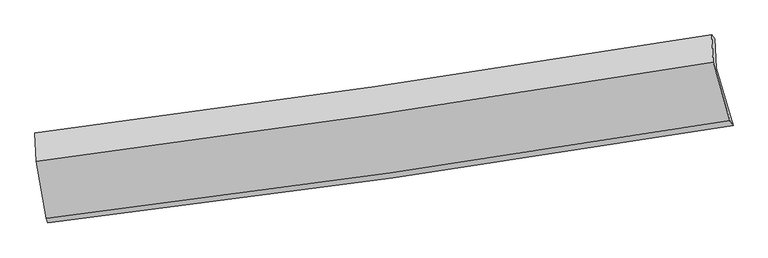
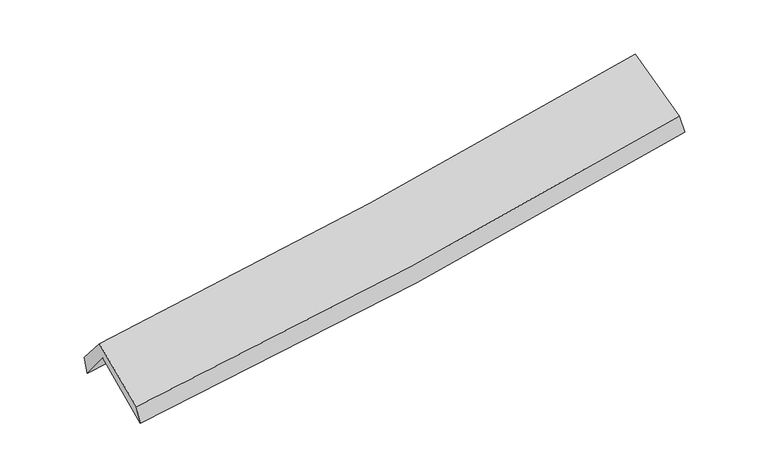
"""IFC4 building model written with IfcOpenShell, lengths in millimetres: proxy geometry."""

import ifcopenshell
import ifcopenshell.guid

model = None  # the IFC model being written
_history = None  # IfcOwnerHistory: only IFC2X3 demands one
_inside = {}  # id of a spatial element -> (the spatial element, [elements in it])
_under = {}  # id of a project, library or spatial element -> (it, [spatial elements below it])
_declared = {}  # id of a project -> (the project, [libraries it declares])
_typed = {}  # id of a type object -> (the type object, [elements of that type])
_made_of = {}  # id of a material, layer set ... -> (it, [elements and type objects made of it])


def new_model(schema):
    """Start an empty IFC model of exactly this schema.

    Asked for "IFC4X3", IfcOpenShell would pick the latest addendum, in which some entities
    have other attributes; the version numbers below select the first issue.
    IFC2X3 requires an IfcOwnerHistory on every rooted entity: one is made here for all.
    """
    global model, _history
    if schema == "IFC4X3":
        model = ifcopenshell.file(schema_version=(4, 3, 0, 0))
    else:
        model = ifcopenshell.file(schema=schema)
    _inside.clear()
    _under.clear()
    _declared.clear()
    _typed.clear()
    _made_of.clear()
    _history = None
    if model.schema == "IFC2X3":
        org = make("IfcOrganization", Name="unknown")
        user = make(
            "IfcPersonAndOrganization",
            ThePerson=make("IfcPerson", FamilyName="unknown"),
            TheOrganization=org,
        )
        app = make(
            "IfcApplication",
            ApplicationDeveloper=org,
            Version="unknown",
            ApplicationFullName="unknown",
            ApplicationIdentifier="unknown",
        )
        _history = make(
            "IfcOwnerHistory",
            OwningUser=user,
            OwningApplication=app,
            ChangeAction="ADDED",
            CreationDate=0,
        )
    return model


def make(cls, **values):
    """One entity of the class cls with the attributes given. An attribute that is None is left unset."""
    return model.create_entity(
        cls, **{name: value for name, value in values.items() if value is not None}
    )


def rooted(cls, **values):
    """An entity with a GlobalId (a new one), such as an element, a storey or a relation."""
    return make(cls, GlobalId=ifcopenshell.guid.new(), OwnerHistory=_history, **values)


def si_unit(unit_type, name, prefix=None):
    """IfcSIUnit, for example si_unit("LENGTHUNIT", "METRE", prefix="MILLI")."""
    return make("IfcSIUnit", UnitType=unit_type, Prefix=prefix, Name=name)


def assignment(units):
    """IfcUnitAssignment: the units of a project."""
    return None if units is None else make("IfcUnitAssignment", Units=units)


def point(xyz):
    """IfcCartesianPoint."""
    return None if xyz is None else make("IfcCartesianPoint", Coordinates=xyz)


def direction(xyz):
    """IfcDirection."""
    return None if xyz is None else make("IfcDirection", DirectionRatios=xyz)


def frame(location, z_axis=None, x_axis=None):
    """IfcAxis2Placement3D, a coordinate frame: its origin and axes. An axis left out is left unset."""
    return make(
        "IfcAxis2Placement3D",
        Location=point(location),
        Axis=direction(z_axis),
        RefDirection=direction(x_axis),
    )


def origin():
    """The frame at (0, 0, 0) with its axes left unset."""
    return frame((0.0, 0.0, 0.0))


def place(relative_to, where):
    """IfcLocalPlacement: puts the frame where relative to a parent placement (None: the world)."""
    return make(
        "IfcLocalPlacement", PlacementRelTo=relative_to, RelativePlacement=where
    )


def context(
    kind, dimensions, precision=None, world=None, true_north=None, identifier=None
):
    """IfcGeometricRepresentationContext, for example the 3D "Model" context."""
    return make(
        "IfcGeometricRepresentationContext",
        ContextIdentifier=identifier,
        ContextType=kind,
        CoordinateSpaceDimension=dimensions,
        Precision=precision,
        WorldCoordinateSystem=world,
        TrueNorth=true_north,
    )


def project(units=None, contexts=None):
    """IfcProject with its units and contexts."""
    return rooted(
        "IfcProject",
        Name="project",
        RepresentationContexts=contexts,
        UnitsInContext=assignment(units),
    )


def spatial(cls, under=None, at=None, **own):
    """A site, building, storey or space (cls), placed at a placement, below another one or the project."""
    s = rooted(cls, ObjectPlacement=at, **own)
    if under is not None:
        _under.setdefault(under.id(), (under, []))[1].append(s)
    return s


def shape(context_of_items, identifier, shape_type, items):
    """IfcShapeRepresentation: the items that make up one representation, for example the "Body"."""
    return make(
        "IfcShapeRepresentation",
        ContextOfItems=context_of_items,
        RepresentationIdentifier=identifier,
        RepresentationType=shape_type,
        Items=items,
    )


def source(mapping_origin, context_of_items, identifier, shape_type, items):
    """IfcRepresentationMap: a shape defined once, which mapped items show again and again."""
    return make(
        "IfcRepresentationMap",
        MappingOrigin=mapping_origin,
        MappedRepresentation=shape(context_of_items, identifier, shape_type, items),
    )


def transform(
    local_origin,
    x_axis=None,
    y_axis=None,
    z_axis=None,
    scale=None,
    scale2=None,
    scale3=None,
    uniform=True,
):
    """IfcCartesianTransformationOperator3D, or its non-uniform kind. x_axis, y_axis, z_axis: its Axis1, 2, 3."""
    if uniform:
        return make(
            "IfcCartesianTransformationOperator3D",
            Axis1=direction(x_axis),
            Axis2=direction(y_axis),
            LocalOrigin=point(local_origin),
            Scale=scale,
            Axis3=direction(z_axis),
        )
    return make(
        "IfcCartesianTransformationOperator3DnonUniform",
        Axis1=direction(x_axis),
        Axis2=direction(y_axis),
        LocalOrigin=point(local_origin),
        Scale=scale,
        Axis3=direction(z_axis),
        Scale2=scale2,
        Scale3=scale3,
    )


def mapped(mapping_source, mapping_target):
    """IfcMappedItem: shows the shape of a source again, moved by a transform."""
    return make(
        "IfcMappedItem", MappingSource=mapping_source, MappingTarget=mapping_target
    )


def made_of(thing, what):
    """Note that an element or type object is made of a material, layer set ...; save() writes the relation."""
    if what is not None:
        _made_of.setdefault(what.id(), (what, []))[1].append(thing)
    return thing


def element(
    cls,
    number,
    at=None,
    inside=None,
    cuts=None,
    type_object=None,
    material=None,
    context=None,
    identifier="Body",
    shape_type=None,
    held_by="IfcProductDefinitionShape",
    body=None,
    shapes=None,
    **own,
):
    """One element of the class cls, such as IfcWall. Its Tag is "e" and its number.

    at: its placement. inside: the storey or other place that contains it. cuts: it is an
    opening in that element (IfcRelVoidsElement). A single representation is given by context,
    identifier, shape_type and body (its items); several are given by shapes. held_by: the class
    of the entity that holds the representations. save() writes the other relations.
    """
    e = rooted(cls, Tag="e%d" % number, ObjectPlacement=at, **own)
    if body is not None:
        shapes = [shape(context, identifier, shape_type, body)]
    if shapes is not None:
        e.Representation = make(held_by, Representations=shapes)
    if inside is not None:
        _inside.setdefault(inside.id(), (inside, []))[1].append(e)
    if cuts is not None:
        rooted(
            "IfcRelVoidsElement", RelatingBuildingElement=cuts, RelatedOpeningElement=e
        )
    if type_object is not None:
        _typed.setdefault(type_object.id(), (type_object, []))[1].append(e)
    return made_of(e, material)


def aggregate(whole, parts):
    """IfcRelAggregates: a whole, such as a stair, and the parts it consists of."""
    return rooted("IfcRelAggregates", RelatingObject=whole, RelatedObjects=parts)


def save(model, path):
    """Write the relations noted so far, then the file.

    IfcRelAggregates (storeys below a building ...), IfcRelContainedInSpatialStructure (elements
    in a storey), IfcRelDefinesByType, IfcRelAssociatesMaterial and IfcRelDeclares: one each for
    every whole, place, type object, material and project.
    """
    for whole, parts in _under.values():
        aggregate(whole, parts)
    for where, things in _inside.values():
        rooted(
            "IfcRelContainedInSpatialStructure",
            RelatedElements=things,
            RelatingStructure=where,
        )
    for kind, things in _typed.values():
        rooted("IfcRelDefinesByType", RelatedObjects=things, RelatingType=kind)
    for what, things in _made_of.values():
        rooted("IfcRelAssociatesMaterial", RelatedObjects=things, RelatingMaterial=what)
    for by, libraries in _declared.values():
        rooted("IfcRelDeclares", RelatingContext=by, RelatedDefinitions=libraries)
    model.write(path)


def plane_surface(at):
    """IfcPlane: the flat surface through the origin of the frame at, square to its z axis."""
    return make("IfcPlane", Position=at)


def spline_curve(degree, points, multiplicities, knots, weights=None):
    """IfcBSplineCurveWithKnots; with weights, IfcRationalBSplineCurveWithKnots."""
    own = dict(
        Degree=degree,
        ControlPointsList=[point(p) for p in points],
        CurveForm="UNSPECIFIED",
        ClosedCurve=False,
        SelfIntersect=False,
        KnotMultiplicities=multiplicities,
        Knots=knots,
        KnotSpec="UNSPECIFIED",
    )
    if weights is None:
        return make("IfcBSplineCurveWithKnots", **own)
    return make("IfcRationalBSplineCurveWithKnots", WeightsData=weights, **own)


def spline_surface(u_degree, v_degree, points, u_multiplicities, v_multiplicities, u_knots, v_knots, weights=None):
    """IfcBSplineSurfaceWithKnots; with weights, IfcRationalBSplineSurfaceWithKnots. points: one row for each step in u."""
    own = dict(
        UDegree=u_degree,
        VDegree=v_degree,
        ControlPointsList=[[point(p) for p in row] for row in points],
        SurfaceForm="UNSPECIFIED",
        UClosed=False,
        VClosed=False,
        SelfIntersect=False,
        UMultiplicities=u_multiplicities,
        VMultiplicities=v_multiplicities,
        UKnots=u_knots,
        VKnots=v_knots,
        KnotSpec="UNSPECIFIED",
    )
    if weights is None:
        return make("IfcBSplineSurfaceWithKnots", **own)
    return make("IfcRationalBSplineSurfaceWithKnots", WeightsData=weights, **own)


def advanced_brep(points, edges, surfaces, faces):
    """IfcAdvancedBrep: a solid bounded by faces that lie on surfaces and meet in shared edges.

    An edge is (start, end): straight between two places in points (the first is 0);
    or (start, end, curve); or (start, end, curve, False) where it runs against its curve.
    A face is (place in surfaces, loops), or (place, loops, False) where it looks against
    its surface's normal. A loop lists edges by number (the first is 1), with a minus sign
    where the edge is run from its end to its start. The first loop is the outer one.
    """
    corners = [point(p) for p in points]
    vertices = [make("IfcVertexPoint", VertexGeometry=c) for c in corners]
    made = []
    for start, end, *more in edges:
        made.append(
            make(
                "IfcEdgeCurve",
                EdgeStart=vertices[start],
                EdgeEnd=vertices[end],
                EdgeGeometry=more[0] if more else make("IfcPolyline", Points=[corners[start], corners[end]]),
                SameSense=more[1] if len(more) > 1 else True,
            )
        )
    hull = []
    for where, loops, *sense in faces:
        bounds = []
        for j, loop in enumerate(loops):
            ring = [make("IfcOrientedEdge", EdgeElement=made[abs(k) - 1], Orientation=k > 0) for k in loop]
            bounds.append(
                make(
                    "IfcFaceOuterBound" if j == 0 else "IfcFaceBound",
                    Bound=make("IfcEdgeLoop", EdgeList=ring),
                    Orientation=True,
                )
            )
        hull.append(make("IfcAdvancedFace", Bounds=bounds, FaceSurface=surfaces[where], SameSense=sense[0] if sense else True))
    return make("IfcAdvancedBrep", Outer=make("IfcClosedShell", CfsFaces=hull))


def generic_models_f7105551(model_context):
    return source(origin(), model_context, "Body", "AdvancedBrep", [
        advanced_brep(
        [(-2913.1123187, -2505.8368834, 1475.8772468), (-3001.9041738, -2005.8429482, 1898.4949479), (2923.0410321, -1151.4846003, 2403.0788923), (3072.2549695, -1656.5660407, 1973.9959415), (-3012.0037899, -1752.417208, 1582.8375973), (2913.5494274, -896.0601696, 2085.7186735), (-3026.2201791, -1722.9124637, 1744.044455), (2886.2977977, -862.0616669, 2253.9873974), (-3015.0110485, -1970.6926069, 2032.4119587), (2897.4567554, -1099.9271907, 2530.7396744), (-2928.0994664, -2467.1128449, 1631.723764), (3044.5761878, -1611.6002883, 2128.7968833)],
        [
            (0, 1),
            (1, 2, spline_curve(3, [(-3001.9041738, -2005.8429482, 1898.4949479), (-2005.754375512, -1882.992363684, 1952.967901262), (-1012.285485891, -1750.097927465, 2022.444398438), (962.660490433, -1465.177841996, 2190.83917131), (1944.17333565, -1313.286162247, 2289.557322172), (2923.0410321, -1151.4846003, 2403.0788923)], [4, 2, 4], [0.0, 9.937920891649307, 19.80934088495242])),
            (2, 3),
            (3, 0, spline_curve(3, [(3072.2549695, -1656.5660407, 1973.9959415), (2084.152251, -1819.945552424, 1859.486744028), (1093.004970036, -1972.207738623, 1760.808281149), (-902.076300633, -2255.448312237, 1594.554703895), (-1906.051448825, -2386.276406934, 1527.193601786), (-2913.1123187, -2505.8368834, 1475.8772468)], [4, 2, 4], [0.0, 9.871419993303112, 19.80934088495242])),
            (1, 4),
            (4, 5, spline_curve(3, [(-3012.0037899, -1752.417208, 1582.8375973), (-2015.785157029, -1628.550755594, 1636.363138204), (-1022.230956872, -1494.982412989, 1705.224659375), (952.917909104, -1209.400658128, 1873.056243425), (1934.54811481, -1057.51665492, 1971.821747748), (2913.5494274, -896.0601696, 2085.7186735)], [4, 2, 4], [0.0, 9.890342796215121, 19.714503069136782])),
            (5, 2),
            (4, 6),
            (6, 7, spline_curve(3, [(-3026.2201791, -1722.9124637, 1744.044455), (-2033.226868324, -1595.86203221, 1806.253035923), (-1042.373490883, -1460.330046202, 1880.033948714), (928.437291268, -1173.266649258, 2050.169287073), (1908.423239527, -1021.848369869, 2146.369354595), (2886.2977977, -862.0616669, 2253.9873974)], [4, 2, 4], [0.0, 9.881020793354297, 19.695921442817365])),
            (7, 5),
            (6, 8),
            (8, 9, spline_curve(3, [(-3015.0110485, -1970.6926069, 2032.4119587), (-2021.980600982, -1842.998175836, 2093.916096377), (-1031.112926864, -1706.313495642, 2166.371525318), (939.680826217, -1415.938440412, 2332.626837302), (1919.635753562, -1262.367981928, 2426.280647386), (2897.4567554, -1099.9271907, 2530.7396744)], [4, 2, 4], [0.0, 9.871427926033085, 19.67679990010216])),
            (9, 7),
            (8, 10),
            (10, 11, spline_curve(3, [(-2928.0994664, -2467.1128449, 1631.723764), (-1923.442965085, -2346.212472589, 1685.254618805), (-921.730714775, -2214.193038119, 1753.631536427), (1069.121898382, -1928.873874267, 1919.520600305), (2058.301532598, -1775.722456754, 2016.834722229), (3044.5761878, -1611.6002883, 2128.7968833)], [4, 2, 4], [0.0, 9.91911534490131, 19.77185563123381])),
            (11, 9),
            (10, 0),
            (3, 11),
        ],
        [
            spline_surface(3, 3, [[(-2913.1123187, -2505.8368834, 1475.8772468), (-1906.05144881, -2386.276407026, 1527.193601697), (-902.076300575, -2255.448312349, 1594.55470377), (1093.004969978, -1972.207738512, 1760.808281273), (2084.152251141, -1819.945552275, 1859.486744097), (3072.2549695, -1656.5660407, 1973.9959415)], [(-2942.709603745, -2339.172238318, 1616.749813828), (-1939.285757763, -2218.51505927, 1669.118368244), (-938.812695618, -2086.998184083, 1737.184602014), (1049.556810104, -1803.197772957, 1904.151911232), (2037.492612661, -1651.059088878, 2002.843603433), (3022.516990366, -1488.205560563, 2117.023591748)], [(-2972.306888755, -2172.507593282, 1757.622380872), (-1972.520066683, -2050.75371156, 1811.043134809), (-975.549090715, -1918.548055848, 1879.814500306), (1006.108650176, -1634.187807434, 2047.495541239), (1990.832974182, -1482.172625493, 2146.200462824), (2972.779011234, -1319.845080437, 2260.051242052)], [(-3001.9041738, -2005.8429482, 1898.4949479), (-2005.754375636, -1882.992363803, 1952.967901356), (-1012.285485759, -1750.097927582, 2022.444398551), (962.660490302, -1465.17784188, 2190.839171198), (1944.173335702, -1313.286162096, 2289.55732216), (2923.0410321, -1151.4846003, 2403.0788923)]], [4, 4], [4, 2, 4], [0.0, 2.212253827610107], [0.0, 9.937920891649307, 19.80934088495242]),
            spline_surface(3, 3, [[(-3001.9041738, -2005.8429482, 1898.4949479), (-2005.754375636, -1882.992363803, 1952.967901356), (-1012.285485759, -1750.097927582, 2022.444398551), (962.660490302, -1465.17784188, 2190.839171198), (1944.173335702, -1313.286162096, 2289.55732216), (2923.0410321, -1151.4846003, 2403.0788923)], [(-3005.270712485, -1921.367701488, 1793.275831024), (-2009.097969459, -1798.178494414, 1847.432980312), (-1015.600642873, -1665.059422671, 1916.704485493), (959.412963262, -1379.918780654, 2084.911528642), (1940.964928775, -1228.029659661, 2183.645464052), (2919.87716388, -1066.343123396, 2297.29215273)], [(-3008.637251215, -1836.892454712, 1688.056714176), (-2012.441563327, -1713.364624961, 1741.898059294), (-1018.915799912, -1580.020917793, 1810.964572382), (956.165436297, -1294.659719461, 1978.983886032), (1937.75652181, -1142.773157238, 2077.733605854), (2916.71329562, -981.201646504, 2191.50541307)], [(-3012.0037899, -1752.417208, 1582.8375973), (-2015.78515715, -1628.550755572, 1636.36313825), (-1022.230957026, -1494.982412881, 1705.224659324), (952.917909257, -1209.400658235, 1873.056243476), (1934.548114883, -1057.516654803, 1971.821747746), (2913.5494274, -896.0601696, 2085.7186735)]], [4, 4], [4, 2, 4], [0.0, 1.3373377269648177], [0.0, 9.890342796215121, 19.714503069136782]),
            spline_surface(3, 3, [[(-3012.0037899, -1752.417208, 1582.8375973), (-2015.78515715, -1628.550755572, 1636.36313825), (-1022.230957026, -1494.982412881, 1705.224659324), (952.917909257, -1209.400658235, 1873.056243476), (1934.548114883, -1057.516654803, 1971.821747746), (2913.5494274, -896.0601696, 2085.7186735)], [(-3016.742586289, -1742.582293226, 1636.573216547), (-2021.599060826, -1617.654514469, 1692.993104107), (-1028.945134956, -1483.43162395, 1763.494422472), (944.757703276, -1197.355988626, 1932.09392463), (1925.839823095, -1045.627226536, 2030.0042834), (2904.465550833, -884.727335366, 2141.80824812)], [(-3021.481382711, -1732.747378474, 1690.308835753), (-2027.412964537, -1606.75827339, 1749.623069925), (-1035.659312941, -1471.880835001, 1821.764185661), (936.597497239, -1185.311318998, 1991.131605824), (1917.131531308, -1033.737798271, 2088.186819093), (2895.381674267, -873.394501134, 2197.89782278)], [(-3026.2201791, -1722.9124637, 1744.044455), (-2033.226868214, -1595.862032287, 1806.253035782), (-1042.373490871, -1460.33004607, 1880.03394881), (928.437291257, -1173.266649389, 2050.169286978), (1908.42323952, -1021.848370004, 2146.369354748), (2886.2977977, -862.0616669, 2253.9873974)]], [4, 4], [4, 2, 4], [0.0, 0.5933609588604191], [0.0, 9.881020793354297, 19.695921442817365]),
            spline_surface(3, 3, [[(-3026.2201791, -1722.9124637, 1744.044455), (-2033.226868214, -1595.862032287, 1806.253035782), (-1042.373490871, -1460.33004607, 1880.03394881), (928.437291257, -1173.266649389, 2050.169286978), (1908.42323952, -1021.848370004, 2146.369354748), (2886.2977977, -862.0616669, 2253.9873974)], [(-3022.483802232, -1805.505844751, 1840.166956243), (-2029.478112496, -1678.240746736, 1902.14072271), (-1038.619969571, -1542.324529239, 1975.479807627), (932.185136243, -1254.157246446, 2144.321803797), (1912.160744159, -1102.021573964, 2239.673118928), (2890.017450275, -941.350174822, 2346.238156398)], [(-3018.747425368, -1888.099225849, 1936.289457457), (-2025.729356782, -1760.619461229, 1998.028409608), (-1034.866448217, -1624.319012366, 2070.925666406), (935.932981283, -1335.047843461, 2238.474320577), (1915.898248774, -1182.194777957, 2332.976883115), (2893.737102825, -1020.638682778, 2438.488915402)], [(-3015.0110485, -1970.6926069, 2032.4119587), (-2021.980601064, -1842.998175678, 2093.916096535), (-1031.112926917, -1706.313495535, 2166.371525224), (939.68082627, -1415.938440518, 2332.626837396), (1919.635753414, -1262.367981916, 2426.280647296), (2897.4567554, -1099.9271907, 2530.7396744)]], [4, 4], [4, 2, 4], [0.0, 1.230719056563841], [0.0, 9.871427926033085, 19.67679990010216]),
            spline_surface(3, 3, [[(-3015.0110485, -1970.6926069, 2032.4119587), (-2021.980601064, -1842.998175678, 2093.916096535), (-1031.112926917, -1706.313495535, 2166.371525224), (939.68082627, -1415.938440518, 2332.626837396), (1919.635753414, -1262.367981916, 2426.280647296), (2897.4567554, -1099.9271907, 2530.7396744)], [(-2986.040521158, -2136.166019578, 1898.849227122), (-1989.13472244, -2010.736274643, 1957.695603941), (-994.652189464, -1875.606676332, 2028.791528959), (982.827850291, -1586.916918447, 2194.924758317), (1965.85767975, -1433.486140192, 2289.798672289), (2946.496566171, -1270.484889915, 2396.758744026)], [(-2957.069993742, -2301.639432222, 1765.286495578), (-1956.288843741, -2178.474373574, 1821.47511138), (-958.191452095, -2044.899857207, 1891.211532767), (1025.974874229, -1757.895396453, 2057.22267931), (2012.079606173, -1604.604298423, 2153.316697304), (2995.536377029, -1441.042589085, 2262.777813674)], [(-2928.0994664, -2467.1128449, 1631.723764), (-1923.442965117, -2346.212472539, 1685.254618787), (-921.730714643, -2214.193038004, 1753.631536502), (1069.12189825, -1928.873874381, 1919.520600231), (2058.301532509, -1775.722456698, 2016.834722297), (3044.5761878, -1611.6002883, 2128.7968833)]], [4, 4], [4, 2, 4], [0.0, 2.189197635272067], [0.0, 9.91911534490131, 19.77185563123381]),
            spline_surface(3, 3, [[(-2928.0994664, -2467.1128449, 1631.723764), (-1923.442965117, -2346.212472539, 1685.254618787), (-921.730714643, -2214.193038004, 1753.631536502), (1069.12189825, -1928.873874381, 1919.520600231), (2058.301532509, -1775.722456698, 2016.834722297), (3044.5761878, -1611.6002883, 2128.7968833)], [(-2923.103750491, -2480.020857739, 1579.774924936), (-1917.645793006, -2359.567117374, 1632.567613092), (-915.179243309, -2227.944796146, 1700.605925614), (1077.082922138, -1943.318495785, 1866.616493935), (2066.918438728, -1790.463488561, 1964.385396242), (3053.802448376, -1626.588872437, 2077.196569378)], [(-2918.108034609, -2492.928870561, 1527.826085864), (-1911.848620921, -2372.921762191, 1579.880607391), (-908.627771909, -2241.696554207, 1647.580314657), (1085.043946091, -1957.763117108, 1813.712387569), (2075.535344921, -1805.204520412, 1911.936070153), (3063.028708924, -1641.577456563, 2025.596255422)], [(-2913.1123187, -2505.8368834, 1475.8772468), (-1906.05144881, -2386.276407026, 1527.193601697), (-902.076300575, -2255.448312349, 1594.55470377), (1093.004969978, -1972.207738512, 1760.808281273), (2084.152251141, -1819.945552275, 1859.486744097), (3072.2549695, -1656.5660407, 1973.9959415)]], [4, 4], [4, 2, 4], [0.0, 0.5441583520940141], [0.0, 9.976346856216667, 19.88593568171595]),
            plane_surface(frame((2956.1960283, -1212.9499928, 2229.3862437), z_axis=(0.975180904648709, 0.1858189825601534, 0.12038899006485144), x_axis=(0.22053850513312703, -0.7670204968639938, -0.6025299371352082))),
            plane_surface(frame((-2982.7251627, -2070.8024925, 1727.5649949), z_axis=(-0.9905358880300122, -0.120750951536119, -0.06525229672369315), x_axis=(-0.09292436215104483, 0.24009949358224641, 0.9662904822569507))),
        ],
        [
            (0, [[1, 2, 3, 4]]),
            (1, [[5, 6, 7, -2]]),
            (2, [[8, 9, 10, -6]]),
            (3, [[11, 12, 13, -9]]),
            (4, [[14, 15, 16, -12]]),
            (5, [[17, -4, 18, -15]]),
            (6, [[-16, -18, -3, -7, -10, -13]]),
            (7, [[-17, -14, -11, -8, -5, -1]]),
        ],
    ),
    ])


if __name__ == "__main__":
    model = new_model("IFC4")
    model_context = context("Model", 3, world=origin())
    ifc_project = project(units=[si_unit("LENGTHUNIT", "METRE", prefix="MILLI")], contexts=[model_context])
    site = spatial("IfcSite", under=ifc_project)
    building = spatial("IfcBuilding", under=site)
    placement = place(None, origin())
    generic_models_shape = generic_models_f7105551(model_context)
    element("IfcBuildingElementProxy", 1, Name="Generic Models", at=placement, inside=building, context=model_context, shape_type="MappedRepresentation", body=[
        mapped(generic_models_shape, transform((0.0, 0.0, 0.0), x_axis=(1.0, 0.0, 0.0), y_axis=(0.0, 1.0, 0.0), z_axis=(0.0, 0.0, 1.0))),
    ])
    save(model, "model.ifc")
